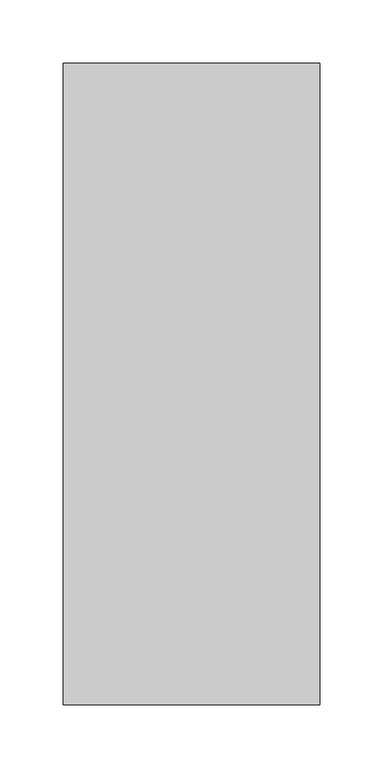
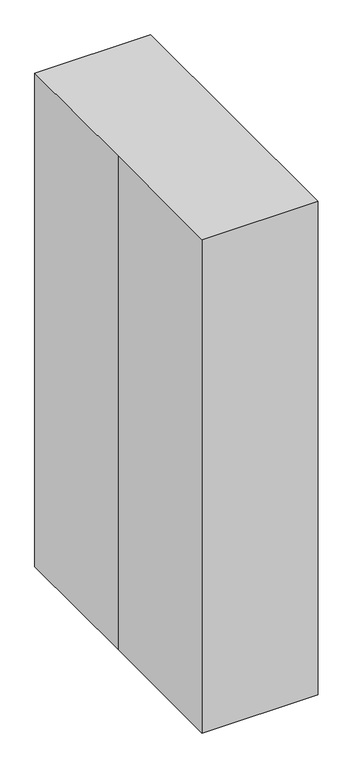
"""IFC4 building model written with IfcOpenShell, lengths in millimetres: proxy geometry."""

import ifcopenshell
import ifcopenshell.guid

model = None  # the IFC model being written
_history = None  # IfcOwnerHistory: only IFC2X3 demands one
_inside = {}  # id of a spatial element -> (the spatial element, [elements in it])
_under = {}  # id of a project, library or spatial element -> (it, [spatial elements below it])
_declared = {}  # id of a project -> (the project, [libraries it declares])
_typed = {}  # id of a type object -> (the type object, [elements of that type])
_made_of = {}  # id of a material, layer set ... -> (it, [elements and type objects made of it])


def new_model(schema):
    """Start an empty IFC model of exactly this schema.

    Asked for "IFC4X3", IfcOpenShell would pick the latest addendum, in which some entities
    have other attributes; the version numbers below select the first issue.
    IFC2X3 requires an IfcOwnerHistory on every rooted entity: one is made here for all.
    """
    global model, _history
    if schema == "IFC4X3":
        model = ifcopenshell.file(schema_version=(4, 3, 0, 0))
    else:
        model = ifcopenshell.file(schema=schema)
    _inside.clear()
    _under.clear()
    _declared.clear()
    _typed.clear()
    _made_of.clear()
    _history = None
    if model.schema == "IFC2X3":
        org = make("IfcOrganization", Name="unknown")
        user = make(
            "IfcPersonAndOrganization",
            ThePerson=make("IfcPerson", FamilyName="unknown"),
            TheOrganization=org,
        )
        app = make(
            "IfcApplication",
            ApplicationDeveloper=org,
            Version="unknown",
            ApplicationFullName="unknown",
            ApplicationIdentifier="unknown",
        )
        _history = make(
            "IfcOwnerHistory",
            OwningUser=user,
            OwningApplication=app,
            ChangeAction="ADDED",
            CreationDate=0,
        )
    return model


def make(cls, **values):
    """One entity of the class cls with the attributes given. An attribute that is None is left unset."""
    return model.create_entity(
        cls, **{name: value for name, value in values.items() if value is not None}
    )


def rooted(cls, **values):
    """An entity with a GlobalId (a new one), such as an element, a storey or a relation."""
    return make(cls, GlobalId=ifcopenshell.guid.new(), OwnerHistory=_history, **values)


def si_unit(unit_type, name, prefix=None):
    """IfcSIUnit, for example si_unit("LENGTHUNIT", "METRE", prefix="MILLI")."""
    return make("IfcSIUnit", UnitType=unit_type, Prefix=prefix, Name=name)


def assignment(units):
    """IfcUnitAssignment: the units of a project."""
    return None if units is None else make("IfcUnitAssignment", Units=units)


def point(xyz):
    """IfcCartesianPoint."""
    return None if xyz is None else make("IfcCartesianPoint", Coordinates=xyz)


def direction(xyz):
    """IfcDirection."""
    return None if xyz is None else make("IfcDirection", DirectionRatios=xyz)


def frame(location, z_axis=None, x_axis=None):
    """IfcAxis2Placement3D, a coordinate frame: its origin and axes. An axis left out is left unset."""
    return make(
        "IfcAxis2Placement3D",
        Location=point(location),
        Axis=direction(z_axis),
        RefDirection=direction(x_axis),
    )


def frame_2d(location, x_axis=None):
    """IfcAxis2Placement2D, a coordinate frame in the plane: its origin and x axis."""
    return make(
        "IfcAxis2Placement2D", Location=point(location), RefDirection=direction(x_axis)
    )


def origin():
    """The frame at (0, 0, 0) with its axes left unset."""
    return frame((0.0, 0.0, 0.0))


def origin_with_axes():
    """The frame at (0, 0, 0) with the z axis (0, 0, 1) and the x axis (1, 0, 0) written out."""
    return frame((0.0, 0.0, 0.0), z_axis=(0.0, 0.0, 1.0), x_axis=(1.0, 0.0, 0.0))


def origin_2d():
    """The frame at (0, 0) in the plane with its x axis left unset."""
    return frame_2d((0.0, 0.0))


def place(relative_to, where):
    """IfcLocalPlacement: puts the frame where relative to a parent placement (None: the world)."""
    return make(
        "IfcLocalPlacement", PlacementRelTo=relative_to, RelativePlacement=where
    )


def context(
    kind, dimensions, precision=None, world=None, true_north=None, identifier=None
):
    """IfcGeometricRepresentationContext, for example the 3D "Model" context."""
    return make(
        "IfcGeometricRepresentationContext",
        ContextIdentifier=identifier,
        ContextType=kind,
        CoordinateSpaceDimension=dimensions,
        Precision=precision,
        WorldCoordinateSystem=world,
        TrueNorth=true_north,
    )


def project(units=None, contexts=None):
    """IfcProject with its units and contexts."""
    return rooted(
        "IfcProject",
        Name="project",
        RepresentationContexts=contexts,
        UnitsInContext=assignment(units),
    )


def spatial(cls, under=None, at=None, **own):
    """A site, building, storey or space (cls), placed at a placement, below another one or the project."""
    s = rooted(cls, ObjectPlacement=at, **own)
    if under is not None:
        _under.setdefault(under.id(), (under, []))[1].append(s)
    return s


def polyline(points):
    """IfcPolyline through the points."""
    return make("IfcPolyline", Points=[point(p) for p in points])


def circle_curve(where, radius):
    """IfcCircle in the frame where."""
    return make("IfcCircle", Position=where, Radius=radius)


def trimmed(basis, trim1, trim2, sense, master):
    """IfcTrimmedCurve: the piece of a basis curve between two trims."""
    return make(
        "IfcTrimmedCurve",
        BasisCurve=basis,
        Trim1=trim1,
        Trim2=trim2,
        SenseAgreement=sense,
        MasterRepresentation=master,
    )


def segment(curve, same_sense, transition):
    """IfcCompositeCurveSegment."""
    return make(
        "IfcCompositeCurveSegment",
        Transition=transition,
        SameSense=same_sense,
        ParentCurve=curve,
    )


def composite_curve(segments, self_intersect=None):
    """IfcCompositeCurve: segments joined end to end."""
    return make("IfcCompositeCurve", Segments=segments, SelfIntersect=self_intersect)


def outline(outer, holes=None, kind="AREA"):
    """IfcArbitraryClosedProfileDef: a profile drawn as a closed curve; with holes, ...WithVoids."""
    if holes is None:
        return make("IfcArbitraryClosedProfileDef", ProfileType=kind, OuterCurve=outer)
    return make(
        "IfcArbitraryProfileDefWithVoids",
        ProfileType=kind,
        OuterCurve=outer,
        InnerCurves=holes,
    )


def extrude(swept, where, along, depth):
    """IfcExtrudedAreaSolid: the profile swept, set in the frame where, extruded along a direction by depth."""
    return make(
        "IfcExtrudedAreaSolid",
        SweptArea=swept,
        Position=where,
        ExtrudedDirection=direction(along),
        Depth=depth,
    )


def shape(context_of_items, identifier, shape_type, items):
    """IfcShapeRepresentation: the items that make up one representation, for example the "Body"."""
    return make(
        "IfcShapeRepresentation",
        ContextOfItems=context_of_items,
        RepresentationIdentifier=identifier,
        RepresentationType=shape_type,
        Items=items,
    )


def source(mapping_origin, context_of_items, identifier, shape_type, items):
    """IfcRepresentationMap: a shape defined once, which mapped items show again and again."""
    return make(
        "IfcRepresentationMap",
        MappingOrigin=mapping_origin,
        MappedRepresentation=shape(context_of_items, identifier, shape_type, items),
    )


def transform(
    local_origin,
    x_axis=None,
    y_axis=None,
    z_axis=None,
    scale=None,
    scale2=None,
    scale3=None,
    uniform=True,
):
    """IfcCartesianTransformationOperator3D, or its non-uniform kind. x_axis, y_axis, z_axis: its Axis1, 2, 3."""
    if uniform:
        return make(
            "IfcCartesianTransformationOperator3D",
            Axis1=direction(x_axis),
            Axis2=direction(y_axis),
            LocalOrigin=point(local_origin),
            Scale=scale,
            Axis3=direction(z_axis),
        )
    return make(
        "IfcCartesianTransformationOperator3DnonUniform",
        Axis1=direction(x_axis),
        Axis2=direction(y_axis),
        LocalOrigin=point(local_origin),
        Scale=scale,
        Axis3=direction(z_axis),
        Scale2=scale2,
        Scale3=scale3,
    )


def mapped(mapping_source, mapping_target):
    """IfcMappedItem: shows the shape of a source again, moved by a transform."""
    return make(
        "IfcMappedItem", MappingSource=mapping_source, MappingTarget=mapping_target
    )


def made_of(thing, what):
    """Note that an element or type object is made of a material, layer set ...; save() writes the relation."""
    if what is not None:
        _made_of.setdefault(what.id(), (what, []))[1].append(thing)
    return thing


def element(
    cls,
    number,
    at=None,
    inside=None,
    cuts=None,
    type_object=None,
    material=None,
    context=None,
    identifier="Body",
    shape_type=None,
    held_by="IfcProductDefinitionShape",
    body=None,
    shapes=None,
    **own,
):
    """One element of the class cls, such as IfcWall. Its Tag is "e" and its number.

    at: its placement. inside: the storey or other place that contains it. cuts: it is an
    opening in that element (IfcRelVoidsElement). A single representation is given by context,
    identifier, shape_type and body (its items); several are given by shapes. held_by: the class
    of the entity that holds the representations. save() writes the other relations.
    """
    e = rooted(cls, Tag="e%d" % number, ObjectPlacement=at, **own)
    if body is not None:
        shapes = [shape(context, identifier, shape_type, body)]
    if shapes is not None:
        e.Representation = make(held_by, Representations=shapes)
    if inside is not None:
        _inside.setdefault(inside.id(), (inside, []))[1].append(e)
    if cuts is not None:
        rooted(
            "IfcRelVoidsElement", RelatingBuildingElement=cuts, RelatedOpeningElement=e
        )
    if type_object is not None:
        _typed.setdefault(type_object.id(), (type_object, []))[1].append(e)
    return made_of(e, material)


def aggregate(whole, parts):
    """IfcRelAggregates: a whole, such as a stair, and the parts it consists of."""
    return rooted("IfcRelAggregates", RelatingObject=whole, RelatedObjects=parts)


def save(model, path):
    """Write the relations noted so far, then the file.

    IfcRelAggregates (storeys below a building ...), IfcRelContainedInSpatialStructure (elements
    in a storey), IfcRelDefinesByType, IfcRelAssociatesMaterial and IfcRelDeclares: one each for
    every whole, place, type object, material and project.
    """
    for whole, parts in _under.values():
        aggregate(whole, parts)
    for where, things in _inside.values():
        rooted(
            "IfcRelContainedInSpatialStructure",
            RelatedElements=things,
            RelatingStructure=where,
        )
    for kind, things in _typed.values():
        rooted("IfcRelDefinesByType", RelatedObjects=things, RelatingType=kind)
    for what, things in _made_of.values():
        rooted("IfcRelAssociatesMaterial", RelatedObjects=things, RelatingMaterial=what)
    for by, libraries in _declared.values():
        rooted("IfcRelDeclares", RelatingContext=by, RelatedDefinitions=libraries)
    model.write(path)


def specialty_equipment_394be24a(model_context):
    return source(origin(), model_context, "Body", "SweptSolid", [
        extrude(outline(composite_curve([segment(trimmed(circle_curve(frame_2d((0.0, 400.05)), 19.05), [point((19.05, 400.05))], [point((-19.05, 400.05))], False, "CARTESIAN"), True, "CONTINUOUS"), segment(trimmed(circle_curve(frame_2d((0.0, 400.05)), 19.05), [point((-19.05, 400.05))], [point((19.05, 400.05))], False, "CARTESIAN"), True, "CONTINUOUS")], self_intersect=False)), frame((26.9875, 0.0, 0.0), z_axis=(1.0, 0.0, 0.0), x_axis=(0.0, 1.0, 0.0)), (0.0, 0.0, 1.0), 25.4),
        extrude(outline(composite_curve([segment(trimmed(circle_curve(frame_2d((50.8, 39.6875)), 19.05), [point((50.8, 20.6375))], [point((50.8, 58.7375))], False, "CARTESIAN"), True, "CONTINUOUS"), segment(trimmed(circle_curve(frame_2d((50.8, 39.6875)), 19.05), [point((50.8, 58.7375))], [point((50.8, 20.6375))], False, "CARTESIAN"), True, "CONTINUOUS")], self_intersect=False)), frame((0.0, -25.4, 0.0), z_axis=(0.0, 1.0, 0.0), x_axis=(0.0, 0.0, 1.0)), (0.0, 0.0, 1.0), 50.8),
        extrude(outline(composite_curve([segment(trimmed(circle_curve(frame_2d((39.6875, 0.0)), 6.35), [point((33.3375, 0.0))], [point((46.0375, 0.0))], False, "CARTESIAN"), True, "CONTINUOUS"), segment(trimmed(circle_curve(frame_2d((39.6875, 0.0)), 6.35), [point((46.0375, 0.0))], [point((33.3375, 0.0))], False, "CARTESIAN"), True, "CONTINUOUS")], self_intersect=False)), frame((0.0, 0.0, 50.8), z_axis=(0.0, 0.0, 1.0), x_axis=(1.0, 0.0, 0.0)), (0.0, 0.0, 1.0), 349.25),
        extrude(outline(composite_curve([segment(trimmed(circle_curve(origin_2d(), 31.75), [point((-31.75, 0.0))], [point((31.75, 0.0))], False, "CARTESIAN"), True, "CONTINUOUS"), segment(trimmed(circle_curve(origin_2d(), 31.75), [point((31.75, 0.0))], [point((-31.75, 0.0))], False, "CARTESIAN"), True, "CONTINUOUS")], self_intersect=False), holes=[composite_curve([segment(trimmed(circle_curve(origin_2d(), 25.4), [point((-25.4, 0.0))], [point((25.4, 0.0))], True, "CARTESIAN"), True, "CONTINUOUS"), segment(trimmed(circle_curve(origin_2d(), 25.4), [point((25.4, 0.0))], [point((-25.4, 0.0))], True, "CARTESIAN"), True, "CONTINUOUS")], self_intersect=False)]), frame((0.0, 0.0, 25.4), z_axis=(0.0, 0.0, 1.0), x_axis=(1.0, 0.0, 0.0)), (0.0, 0.0, 1.0), 50.8),
        extrude(outline(polyline([(-101.6, -254.0), (-101.6, 0.0), (-101.6, 254.0), (101.6, 254.0), (101.6, -254.0), (-101.6, -254.0)])), origin_with_axes(), (0.0, 0.0, 1.0), 914.4),
    ])


if __name__ == "__main__":
    model = new_model("IFC4")
    model_context = context("Model", 3, world=origin())
    ifc_project = project(units=[si_unit("LENGTHUNIT", "METRE", prefix="MILLI")], contexts=[model_context])
    site = spatial("IfcSite", under=ifc_project)
    building = spatial("IfcBuilding", under=site)
    placement = place(None, origin())
    specialty_equipment_shape = specialty_equipment_394be24a(model_context)
    element("IfcBuildingElementProxy", 1, Name="Specialty Equipment", at=placement, inside=building, context=model_context, shape_type="MappedRepresentation", body=[
        mapped(specialty_equipment_shape, transform((0.0, 0.0, 0.0), x_axis=(1.0, 0.0, 0.0), y_axis=(0.0, 1.0, 0.0), z_axis=(0.0, 0.0, 1.0))),
    ])
    save(model, "model.ifc")
